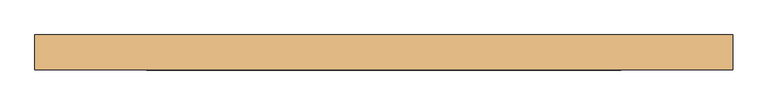
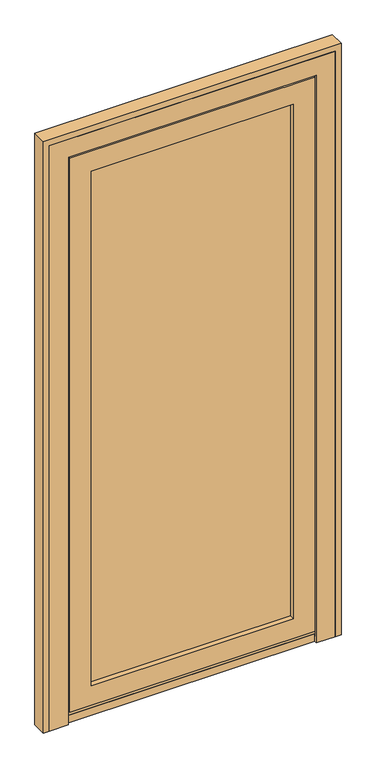
"""IFC4 building model written with IfcOpenShell, lengths in millimetres: door geometry."""

from ifc_helpers import new_model, si_unit, frame, origin, place, context, project, spatial, polyline, outline, extrude, faceted_brep, source, transform, mapped, element, save


def door_2848c0e6(model_context):
    return source(origin(), model_context, "Body", "SolidModel", [
        extrude(outline(polyline([(-233.0, 67.0), (-233.0, 91.0), (483.0, 91.0), (483.0, 67.0), (-233.0, 67.0)])), frame((0.0, 0.0, 95.0), z_axis=(0.0, 0.0, 1.0), x_axis=(1.0, 0.0, 0.0)), (0.0, 0.0, 1.0), 1863.0),
        faceted_brep([(559.0, 92.0, 19.0), (550.0, 92.0, 19.0), (550.0, 58.0, 19.0), (541.0, 58.0, 19.0), (541.0, 92.0, 19.0), (-291.0, 92.0, 19.0), (-291.0, 58.0, 19.0), (-300.0, 58.0, 19.0), (-300.0, 92.0, 19.0), (-309.0, 92.0, 19.0), (-309.0, 100.0, 19.0), (559.0, 100.0, 19.0), (559.0, 100.0, 2034.0), (559.0, 92.0, 2034.0), (-309.0, 100.0, 2034.0), (465.0, 100.0, 1940.0), (-215.0, 100.0, 1940.0), (-215.0, 100.0, 113.0), (465.0, 100.0, 113.0), (465.0, 91.0, 113.0), (465.0, 91.0, 1940.0), (-233.0, 91.0, 1958.0), (-233.0, 91.0, 95.0), (483.0, 91.0, 95.0), (483.0, 91.0, 1958.0), (-215.0, 91.0, 113.0), (-215.0, 91.0, 1940.0), (483.0, 67.0, 95.0), (483.0, 67.0, 1958.0), (-233.0, 67.0, 95.0), (-233.0, 67.0, 1958.0), (465.0, 67.0, 1940.0), (-215.0, 67.0, 1940.0), (-215.0, 67.0, 113.0), (465.0, 67.0, 113.0), (465.0, 50.0, 113.0), (465.0, 50.0, 1940.0), (-286.0, 50.0, 2011.0), (-286.0, 50.0, 42.0), (536.0, 50.0, 42.0), (536.0, 50.0, 2011.0), (-215.0, 50.0, 113.0), (-215.0, 50.0, 1940.0), (536.0, 58.0, 42.0), (536.0, 58.0, 2011.0), (-291.0, 58.0, 28.0), (541.0, 58.0, 28.0), (550.0, 58.0, 2025.0), (-300.0, 58.0, 2025.0), (-286.0, 58.0, 42.0), (-286.0, 58.0, 2011.0), (550.0, 92.0, 2025.0), (-309.0, 92.0, 2034.0), (-300.0, 92.0, 2025.0), (-291.0, 92.0, 28.0), (541.0, 92.0, 28.0)], [[[0, 1, 2, 3, 4, 5, 6, 7, 8, 9, 10, 11]], [[11, 12, 13, 0]], [[10, 14, 12, 11], [15, 16, 17, 18]], [[15, 18, 19, 20]], [[21, 22, 23, 24], [20, 19, 25, 26]], [[23, 27, 28, 24]], [[28, 27, 29, 30], [31, 32, 33, 34]], [[31, 34, 35, 36]], [[37, 38, 39, 40], [36, 35, 41, 42]], [[39, 43, 44, 40]], [[45, 46, 3, 2, 47, 48, 7, 6], [44, 43, 49, 50]], [[1, 51, 47, 2]], [[0, 13, 52, 9, 8, 53, 51, 1]], [[12, 14, 52, 13]], [[15, 20, 26, 16]], [[24, 28, 30, 21]], [[31, 36, 42, 32]], [[40, 44, 50, 37]], [[47, 51, 53, 48]], [[10, 9, 52, 14]], [[26, 25, 17, 16]], [[29, 22, 21, 30]], [[42, 41, 33, 32]], [[49, 38, 37, 50]], [[48, 53, 8, 7]], [[19, 18, 17, 25]], [[22, 29, 27, 23]], [[35, 34, 33, 41]], [[45, 6, 5, 54]], [[55, 4, 3, 46]], [[54, 55, 46, 45]], [[43, 39, 38, 49]], [[4, 55, 54, 5]]]),
        faceted_brep([(605.0, 100.0, 0.0), (605.0, 50.0, 0.0), (541.0, 50.0, 0.0), (541.0, 58.0, 0.0), (-291.0, 58.0, 0.0), (-291.0, 50.0, 0.0), (-355.0, 50.0, 0.0), (-355.0, 100.0, 0.0), (-314.0, 100.0, 0.0), (-314.0, 92.0, 0.0), (564.0, 92.0, 0.0), (564.0, 100.0, 0.0), (564.0, 100.0, 2039.0), (-314.0, 100.0, 2039.0), (-355.0, 100.0, 2080.0), (605.0, 100.0, 2080.0), (564.0, 92.0, 2039.0), (-314.0, 92.0, 2039.0), (550.0, 92.0, 2025.0), (-300.0, 92.0, 2025.0), (-300.0, 92.0, 28.0), (550.0, 92.0, 28.0), (550.0, 58.0, 28.0), (550.0, 58.0, 2025.0), (541.0, 58.0, 28.0), (541.0, 58.0, 2016.0), (-291.0, 58.0, 2016.0), (-291.0, 58.0, 28.0), (-300.0, 58.0, 28.0), (-300.0, 58.0, 2025.0), (541.0, 50.0, 2016.0), (605.0, 50.0, 2080.0), (-355.0, 50.0, 2080.0), (-291.0, 50.0, 2016.0)], [[[0, 1, 2, 3, 4, 5, 6, 7, 8, 9, 10, 11]], [[11, 12, 13, 8, 7, 14, 15, 0]], [[16, 12, 11, 10]], [[9, 17, 16, 10], [18, 19, 20, 21]], [[18, 21, 22, 23]], [[23, 22, 24, 25, 26, 27, 28, 29]], [[2, 30, 25, 24, 3]], [[1, 31, 32, 6, 5, 33, 30, 2]], [[15, 31, 1, 0]], [[12, 16, 17, 13]], [[18, 23, 29, 19]], [[25, 30, 33, 26]], [[14, 32, 31, 15]], [[13, 17, 9, 8]], [[29, 28, 20, 19]], [[5, 4, 27, 26, 33]], [[6, 32, 14, 7]], [[20, 28, 27, 24, 22, 21]], [[3, 24, 27, 4]]]),
        extrude(outline(polyline([(2100.0, -375.0), (0.0, -375.0), (0.0, -355.0), (2080.0, -355.0), (2080.0, 605.0), (0.0, 605.0), (0.0, 625.0), (2100.0, 625.0), (2100.0, -375.0)])), frame((0.0, 50.0, 0.0), z_axis=(0.0, 1.0, 0.0), x_axis=(0.0, 0.0, 1.0)), (0.0, 0.0, 1.0), 50.0),
    ])


if __name__ == "__main__":
    model = new_model("IFC4")
    model_context = context("Model", 3, world=origin())
    ifc_project = project(units=[si_unit("LENGTHUNIT", "METRE", prefix="MILLI")], contexts=[model_context])
    site = spatial("IfcSite", under=ifc_project)
    building = spatial("IfcBuilding", under=site)
    placement = place(None, origin())
    door_shape = door_2848c0e6(model_context)
    element("IfcDoor", 1, at=placement, inside=building, context=model_context, shape_type="MappedRepresentation", body=[
        mapped(door_shape, transform((0.0, 0.0, 0.0), x_axis=(1.0, 0.0, 0.0), y_axis=(0.0, 1.0, 0.0), z_axis=(0.0, 0.0, 1.0))),
    ])
    save(model, "model.ifc")
